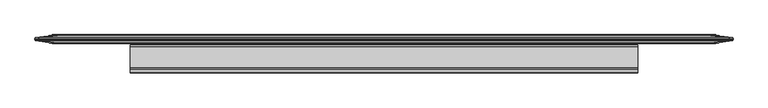
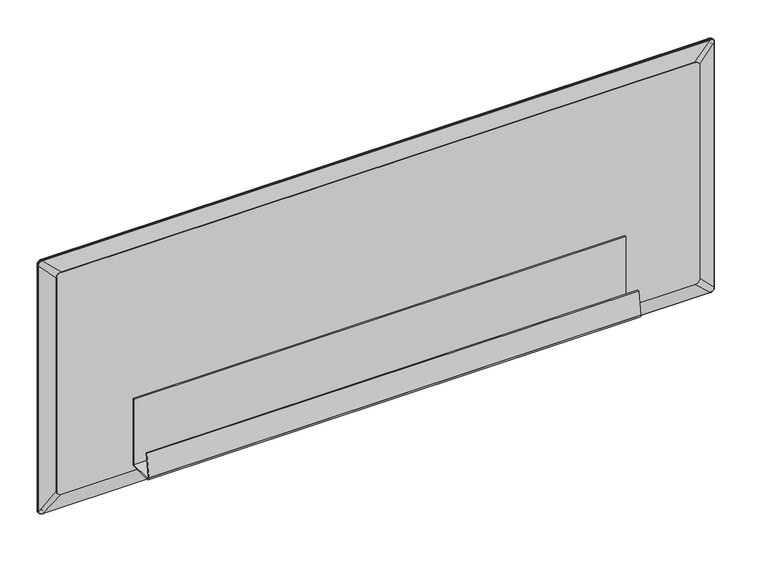
"""IFC4 building model written with IfcOpenShell, lengths in millimetres: furniture geometry."""

import ifcopenshell
import ifcopenshell.guid

model = None  # the IFC model being written
_history = None  # IfcOwnerHistory: only IFC2X3 demands one
_inside = {}  # id of a spatial element -> (the spatial element, [elements in it])
_under = {}  # id of a project, library or spatial element -> (it, [spatial elements below it])
_declared = {}  # id of a project -> (the project, [libraries it declares])
_typed = {}  # id of a type object -> (the type object, [elements of that type])
_made_of = {}  # id of a material, layer set ... -> (it, [elements and type objects made of it])


def new_model(schema):
    """Start an empty IFC model of exactly this schema.

    Asked for "IFC4X3", IfcOpenShell would pick the latest addendum, in which some entities
    have other attributes; the version numbers below select the first issue.
    IFC2X3 requires an IfcOwnerHistory on every rooted entity: one is made here for all.
    """
    global model, _history
    if schema == "IFC4X3":
        model = ifcopenshell.file(schema_version=(4, 3, 0, 0))
    else:
        model = ifcopenshell.file(schema=schema)
    _inside.clear()
    _under.clear()
    _declared.clear()
    _typed.clear()
    _made_of.clear()
    _history = None
    if model.schema == "IFC2X3":
        org = make("IfcOrganization", Name="unknown")
        user = make(
            "IfcPersonAndOrganization",
            ThePerson=make("IfcPerson", FamilyName="unknown"),
            TheOrganization=org,
        )
        app = make(
            "IfcApplication",
            ApplicationDeveloper=org,
            Version="unknown",
            ApplicationFullName="unknown",
            ApplicationIdentifier="unknown",
        )
        _history = make(
            "IfcOwnerHistory",
            OwningUser=user,
            OwningApplication=app,
            ChangeAction="ADDED",
            CreationDate=0,
        )
    return model


def make(cls, **values):
    """One entity of the class cls with the attributes given. An attribute that is None is left unset."""
    return model.create_entity(
        cls, **{name: value for name, value in values.items() if value is not None}
    )


def rooted(cls, **values):
    """An entity with a GlobalId (a new one), such as an element, a storey or a relation."""
    return make(cls, GlobalId=ifcopenshell.guid.new(), OwnerHistory=_history, **values)


def si_unit(unit_type, name, prefix=None):
    """IfcSIUnit, for example si_unit("LENGTHUNIT", "METRE", prefix="MILLI")."""
    return make("IfcSIUnit", UnitType=unit_type, Prefix=prefix, Name=name)


def assignment(units):
    """IfcUnitAssignment: the units of a project."""
    return None if units is None else make("IfcUnitAssignment", Units=units)


def point(xyz):
    """IfcCartesianPoint."""
    return None if xyz is None else make("IfcCartesianPoint", Coordinates=xyz)


def direction(xyz):
    """IfcDirection."""
    return None if xyz is None else make("IfcDirection", DirectionRatios=xyz)


def frame(location, z_axis=None, x_axis=None):
    """IfcAxis2Placement3D, a coordinate frame: its origin and axes. An axis left out is left unset."""
    return make(
        "IfcAxis2Placement3D",
        Location=point(location),
        Axis=direction(z_axis),
        RefDirection=direction(x_axis),
    )


def frame_2d(location, x_axis=None):
    """IfcAxis2Placement2D, a coordinate frame in the plane: its origin and x axis."""
    return make(
        "IfcAxis2Placement2D", Location=point(location), RefDirection=direction(x_axis)
    )


def origin():
    """The frame at (0, 0, 0) with its axes left unset."""
    return frame((0.0, 0.0, 0.0))


def place(relative_to, where):
    """IfcLocalPlacement: puts the frame where relative to a parent placement (None: the world)."""
    return make(
        "IfcLocalPlacement", PlacementRelTo=relative_to, RelativePlacement=where
    )


def context(
    kind, dimensions, precision=None, world=None, true_north=None, identifier=None
):
    """IfcGeometricRepresentationContext, for example the 3D "Model" context."""
    return make(
        "IfcGeometricRepresentationContext",
        ContextIdentifier=identifier,
        ContextType=kind,
        CoordinateSpaceDimension=dimensions,
        Precision=precision,
        WorldCoordinateSystem=world,
        TrueNorth=true_north,
    )


def project(units=None, contexts=None):
    """IfcProject with its units and contexts."""
    return rooted(
        "IfcProject",
        Name="project",
        RepresentationContexts=contexts,
        UnitsInContext=assignment(units),
    )


def spatial(cls, under=None, at=None, **own):
    """A site, building, storey or space (cls), placed at a placement, below another one or the project."""
    s = rooted(cls, ObjectPlacement=at, **own)
    if under is not None:
        _under.setdefault(under.id(), (under, []))[1].append(s)
    return s


def polyline(points):
    """IfcPolyline through the points."""
    return make("IfcPolyline", Points=[point(p) for p in points])


def circle_curve(where, radius):
    """IfcCircle in the frame where."""
    return make("IfcCircle", Position=where, Radius=radius)


def ellipse_curve(where, semi_axis1, semi_axis2):
    """IfcEllipse in the frame where."""
    return make(
        "IfcEllipse", Position=where, SemiAxis1=semi_axis1, SemiAxis2=semi_axis2
    )


def trimmed(basis, trim1, trim2, sense, master):
    """IfcTrimmedCurve: the piece of a basis curve between two trims."""
    return make(
        "IfcTrimmedCurve",
        BasisCurve=basis,
        Trim1=trim1,
        Trim2=trim2,
        SenseAgreement=sense,
        MasterRepresentation=master,
    )


def segment(curve, same_sense, transition):
    """IfcCompositeCurveSegment."""
    return make(
        "IfcCompositeCurveSegment",
        Transition=transition,
        SameSense=same_sense,
        ParentCurve=curve,
    )


def composite_curve(segments, self_intersect=None):
    """IfcCompositeCurve: segments joined end to end."""
    return make("IfcCompositeCurve", Segments=segments, SelfIntersect=self_intersect)


def outline(outer, holes=None, kind="AREA"):
    """IfcArbitraryClosedProfileDef: a profile drawn as a closed curve; with holes, ...WithVoids."""
    if holes is None:
        return make("IfcArbitraryClosedProfileDef", ProfileType=kind, OuterCurve=outer)
    return make(
        "IfcArbitraryProfileDefWithVoids",
        ProfileType=kind,
        OuterCurve=outer,
        InnerCurves=holes,
    )


def extrude(swept, where, along, depth):
    """IfcExtrudedAreaSolid: the profile swept, set in the frame where, extruded along a direction by depth."""
    return make(
        "IfcExtrudedAreaSolid",
        SweptArea=swept,
        Position=where,
        ExtrudedDirection=direction(along),
        Depth=depth,
    )


def shape(context_of_items, identifier, shape_type, items):
    """IfcShapeRepresentation: the items that make up one representation, for example the "Body"."""
    return make(
        "IfcShapeRepresentation",
        ContextOfItems=context_of_items,
        RepresentationIdentifier=identifier,
        RepresentationType=shape_type,
        Items=items,
    )


def source(mapping_origin, context_of_items, identifier, shape_type, items):
    """IfcRepresentationMap: a shape defined once, which mapped items show again and again."""
    return make(
        "IfcRepresentationMap",
        MappingOrigin=mapping_origin,
        MappedRepresentation=shape(context_of_items, identifier, shape_type, items),
    )


def transform(
    local_origin,
    x_axis=None,
    y_axis=None,
    z_axis=None,
    scale=None,
    scale2=None,
    scale3=None,
    uniform=True,
):
    """IfcCartesianTransformationOperator3D, or its non-uniform kind. x_axis, y_axis, z_axis: its Axis1, 2, 3."""
    if uniform:
        return make(
            "IfcCartesianTransformationOperator3D",
            Axis1=direction(x_axis),
            Axis2=direction(y_axis),
            LocalOrigin=point(local_origin),
            Scale=scale,
            Axis3=direction(z_axis),
        )
    return make(
        "IfcCartesianTransformationOperator3DnonUniform",
        Axis1=direction(x_axis),
        Axis2=direction(y_axis),
        LocalOrigin=point(local_origin),
        Scale=scale,
        Axis3=direction(z_axis),
        Scale2=scale2,
        Scale3=scale3,
    )


def mapped(mapping_source, mapping_target):
    """IfcMappedItem: shows the shape of a source again, moved by a transform."""
    return make(
        "IfcMappedItem", MappingSource=mapping_source, MappingTarget=mapping_target
    )


def made_of(thing, what):
    """Note that an element or type object is made of a material, layer set ...; save() writes the relation."""
    if what is not None:
        _made_of.setdefault(what.id(), (what, []))[1].append(thing)
    return thing


def element(
    cls,
    number,
    at=None,
    inside=None,
    cuts=None,
    type_object=None,
    material=None,
    context=None,
    identifier="Body",
    shape_type=None,
    held_by="IfcProductDefinitionShape",
    body=None,
    shapes=None,
    **own,
):
    """One element of the class cls, such as IfcWall. Its Tag is "e" and its number.

    at: its placement. inside: the storey or other place that contains it. cuts: it is an
    opening in that element (IfcRelVoidsElement). A single representation is given by context,
    identifier, shape_type and body (its items); several are given by shapes. held_by: the class
    of the entity that holds the representations. save() writes the other relations.
    """
    e = rooted(cls, Tag="e%d" % number, ObjectPlacement=at, **own)
    if body is not None:
        shapes = [shape(context, identifier, shape_type, body)]
    if shapes is not None:
        e.Representation = make(held_by, Representations=shapes)
    if inside is not None:
        _inside.setdefault(inside.id(), (inside, []))[1].append(e)
    if cuts is not None:
        rooted(
            "IfcRelVoidsElement", RelatingBuildingElement=cuts, RelatedOpeningElement=e
        )
    if type_object is not None:
        _typed.setdefault(type_object.id(), (type_object, []))[1].append(e)
    return made_of(e, material)


def aggregate(whole, parts):
    """IfcRelAggregates: a whole, such as a stair, and the parts it consists of."""
    return rooted("IfcRelAggregates", RelatingObject=whole, RelatedObjects=parts)


def save(model, path):
    """Write the relations noted so far, then the file.

    IfcRelAggregates (storeys below a building ...), IfcRelContainedInSpatialStructure (elements
    in a storey), IfcRelDefinesByType, IfcRelAssociatesMaterial and IfcRelDeclares: one each for
    every whole, place, type object, material and project.
    """
    for whole, parts in _under.values():
        aggregate(whole, parts)
    for where, things in _inside.values():
        rooted(
            "IfcRelContainedInSpatialStructure",
            RelatedElements=things,
            RelatingStructure=where,
        )
    for kind, things in _typed.values():
        rooted("IfcRelDefinesByType", RelatedObjects=things, RelatingType=kind)
    for what, things in _made_of.values():
        rooted("IfcRelAssociatesMaterial", RelatedObjects=things, RelatingMaterial=what)
    for by, libraries in _declared.values():
        rooted("IfcRelDeclares", RelatingContext=by, RelatedDefinitions=libraries)
    model.write(path)


def plane_surface(at):
    """IfcPlane: the flat surface through the origin of the frame at, square to its z axis."""
    return make("IfcPlane", Position=at)


def cylinder_surface(at, radius):
    """IfcCylindricalSurface: all points at the distance radius from the z axis of the frame at."""
    return make("IfcCylindricalSurface", Position=at, Radius=radius)


def revolved_surface(curve, axis_point, axis_direction):
    """IfcSurfaceOfRevolution: the curve turned about the line through axis_point along axis_direction."""
    return make(
        "IfcSurfaceOfRevolution",
        SweptCurve=make("IfcArbitraryOpenProfileDef", ProfileType="CURVE", Curve=curve),
        AxisPosition=make("IfcAxis1Placement", Location=point(axis_point), Axis=direction(axis_direction)),
    )


def spline_surface(u_degree, v_degree, points, u_multiplicities, v_multiplicities, u_knots, v_knots, weights=None):
    """IfcBSplineSurfaceWithKnots; with weights, IfcRationalBSplineSurfaceWithKnots. points: one row for each step in u."""
    own = dict(
        UDegree=u_degree,
        VDegree=v_degree,
        ControlPointsList=[[point(p) for p in row] for row in points],
        SurfaceForm="UNSPECIFIED",
        UClosed=False,
        VClosed=False,
        SelfIntersect=False,
        UMultiplicities=u_multiplicities,
        VMultiplicities=v_multiplicities,
        UKnots=u_knots,
        VKnots=v_knots,
        KnotSpec="UNSPECIFIED",
    )
    if weights is None:
        return make("IfcBSplineSurfaceWithKnots", **own)
    return make("IfcRationalBSplineSurfaceWithKnots", WeightsData=weights, **own)


def advanced_brep(points, edges, surfaces, faces):
    """IfcAdvancedBrep: a solid bounded by faces that lie on surfaces and meet in shared edges.

    An edge is (start, end): straight between two places in points (the first is 0);
    or (start, end, curve); or (start, end, curve, False) where it runs against its curve.
    A face is (place in surfaces, loops), or (place, loops, False) where it looks against
    its surface's normal. A loop lists edges by number (the first is 1), with a minus sign
    where the edge is run from its end to its start. The first loop is the outer one.
    """
    corners = [point(p) for p in points]
    vertices = [make("IfcVertexPoint", VertexGeometry=c) for c in corners]
    made = []
    for start, end, *more in edges:
        made.append(
            make(
                "IfcEdgeCurve",
                EdgeStart=vertices[start],
                EdgeEnd=vertices[end],
                EdgeGeometry=more[0] if more else make("IfcPolyline", Points=[corners[start], corners[end]]),
                SameSense=more[1] if len(more) > 1 else True,
            )
        )
    hull = []
    for where, loops, *sense in faces:
        bounds = []
        for j, loop in enumerate(loops):
            ring = [make("IfcOrientedEdge", EdgeElement=made[abs(k) - 1], Orientation=k > 0) for k in loop]
            bounds.append(
                make(
                    "IfcFaceOuterBound" if j == 0 else "IfcFaceBound",
                    Bound=make("IfcEdgeLoop", EdgeList=ring),
                    Orientation=True,
                )
            )
        hull.append(make("IfcAdvancedFace", Bounds=bounds, FaceSurface=surfaces[where], SameSense=sense[0] if sense else True))
    return make("IfcAdvancedBrep", Outer=make("IfcClosedShell", CfsFaces=hull))


def furniture_2b4007a4(model_context):
    return source(origin(), model_context, "Body", "SolidModel", [
        extrude(outline(composite_curve([segment(polyline([(-40.6393621, 532.1755443), (-33.1225172, 585.6606909), (-29.9784163, 585.218821), (-37.4912878, 531.7619473)]), True, "CONTINUOUS"), segment(trimmed(circle_curve(frame_2d((-34.3225949, 531.3166167)), 3.1998334), [point((-37.4912878, 531.7619473))], [point((-34.3225949, 528.1167832))], True, "CARTESIAN"), True, "CONTINUOUS"), segment(polyline([(-34.3225949, 528.1167832), (17.6530002, 528.1167832), (17.6530002, 683.7933638), (20.8280006, 683.7933638), (20.8280006, 524.9417953), (-34.3511598, 524.9417953)]), True, "CONTINUOUS"), segment(trimmed(circle_curve(frame_2d((-34.3511598, 531.2917953)), 6.35), [point((-34.3511598, 524.9417953))], [point((-40.6393621, 532.1755443))], False, "CARTESIAN"), True, "CONTINUOUS")], self_intersect=False)), frame((209.2706021, 0.0, 0.0), z_axis=(1.0, 0.0, 0.0), x_axis=(0.0, 1.0, 0.0)), (0.0, 0.0, 1.0), 1105.458814),
        advanced_brep(
        [(11.253126, 36.4451478, 1074.1297113), (2.8299039, 36.4451478, 1065.7064892), (2.8299039, 36.4451478, 481.964813), (11.253126, 36.4451478, 473.5415909), (1512.746874, 36.4451478, 473.5415909), (1521.1700961, 36.4451478, 481.964813), (1521.1700961, 36.4451478, 1065.7064892), (1512.746874, 36.4451478, 1074.1297113), (50.1139937, 41.7291244, 1037.7676151), (1473.8860063, 41.7291244, 1037.7676151), (1484.8080063, 41.7291244, 1026.8456151), (1484.8080063, 41.7291244, 520.8256871), (1473.8860063, 41.7291244, 509.9036871), (50.1139937, 41.7291244, 509.9036871), (39.1919937, 41.7291244, 520.8256871), (39.1919937, 41.7291244, 1026.8456151)],
        [
            (0, 1, circle_curve(frame((11.253126, 36.4451478, 1065.7064892), z_axis=(0.0, -1.0, 0.0), x_axis=(1.0, 0.0, 0.0)), 8.4232221)),
            (1, 2),
            (2, 3, circle_curve(frame((11.253126, 36.4451478, 481.964813), z_axis=(0.0, -1.0, 0.0), x_axis=(1.0, 0.0, 0.0)), 8.4232221)),
            (3, 4),
            (4, 5, circle_curve(frame((1512.746874, 36.4451478, 481.964813), z_axis=(0.0, -1.0, 0.0), x_axis=(1.0, 0.0, 0.0)), 8.4232221)),
            (5, 6),
            (6, 7, circle_curve(frame((1512.746874, 36.4451478, 1065.7064892), z_axis=(0.0, -1.0, 0.0), x_axis=(1.0, 0.0, 0.0)), 8.4232221)),
            (7, 0),
            (8, 9),
            (9, 10, circle_curve(frame((1473.8860063, 41.7291244, 1026.8456151), z_axis=(0.0, 1.0, 0.0), x_axis=(1.0, 0.0, 0.0)), 10.922)),
            (10, 11),
            (11, 12, circle_curve(frame((1473.8860063, 41.7291244, 520.8256871), z_axis=(0.0, 1.0, 0.0), x_axis=(1.0, 0.0, 0.0)), 10.922)),
            (12, 13),
            (13, 14, circle_curve(frame((50.1139937, 41.7291244, 520.8256871), z_axis=(0.0, 1.0, 0.0), x_axis=(1.0, 0.0, 0.0)), 10.922)),
            (14, 15),
            (15, 8, circle_curve(frame((50.1139937, 41.7291244, 1026.8456151), z_axis=(0.0, 1.0, 0.0), x_axis=(1.0, 0.0, 0.0)), 10.922)),
            (15, 1),
            (0, 8),
            (14, 2),
            (13, 3),
            (12, 4),
            (11, 5),
            (10, 6),
            (9, 7),
        ],
        [
            plane_surface(frame((762.0, 36.4451478, 773.8356511), z_axis=(0.0, -1.0, 0.0), x_axis=(1.0, 0.0, 0.0))),
            plane_surface(frame((762.0, 41.7291244, 773.8356511), z_axis=(0.0, 1.0, 0.0), x_axis=(1.0, 0.0, 0.0))),
            spline_surface(2, 1, [[(50.1139937, 41.7291244, 1037.7676151), (11.253126, 36.4451478, 1074.1297113)], [(39.191993699999976, 41.7291244, 1037.7676151), (2.8299039000000246, 36.4451478, 1074.1297113)], [(39.1919937, 41.7291244, 1026.8456151), (2.8299039, 36.4451478, 1065.7064892)]], [3, 3], [2, 2], [0.0, 1.0], [0.0, 1.0], weights=[[1.0, 1.0], [0.7071067811865468, 0.7071067811865468], [1.0, 1.0]]),
            plane_surface(frame((39.1919937, 41.7291244, 773.8356511), z_axis=(-0.14380513073490753, 0.9896060248272118, 0.0), x_axis=(0.0, 0.0, -1.0))),
            spline_surface(2, 1, [[(39.1919937, 41.7291244, 520.8256871), (2.8299039, 36.4451478, 481.964813)], [(39.19199369999996, 41.7291244, 509.90368709999996), (2.8299038999999713, 36.4451478, 473.5415909)], [(50.1139937, 41.7291244, 509.9036871), (11.253126, 36.4451478, 473.5415909)]], [3, 3], [2, 2], [0.0, 1.0], [0.0, 1.0], weights=[[1.0, 1.0], [0.7071067811865464, 0.7071067811865464], [1.0, 1.0]]),
            plane_surface(frame((762.0, 41.7291244, 509.9036871), z_axis=(0.0, 0.9896060284218857, -0.14380510599788204), x_axis=(1.0, 0.0, 0.0))),
            spline_surface(2, 1, [[(1473.8860063, 41.7291244, 509.9036871), (1512.746874, 36.4451478, 473.5415909)], [(1484.8080063, 41.7291244, 509.90368710000007), (1521.1700961, 36.4451478, 473.5415909000001)], [(1484.8080063, 41.7291244, 520.8256871), (1521.1700961, 36.4451478, 481.964813)]], [3, 3], [2, 2], [0.0, 1.0], [0.0, 1.0], weights=[[1.0, 1.0], [0.7071067811865495, 0.7071067811865495], [1.0, 1.0]]),
            plane_surface(frame((1484.8080063, 41.7291244, 773.8356511), z_axis=(0.14380513073496096, 0.9896060248272041, 0.0), x_axis=(0.0, 0.0, 1.0))),
            spline_surface(2, 1, [[(1484.8080063, 41.7291244, 1026.8456151), (1521.1700961, 36.4451478, 1065.7064892)], [(1484.8080063, 41.7291244, 1037.7676151), (1521.1700961, 36.4451478, 1074.1297113)], [(1473.8860063, 41.7291244, 1037.7676151), (1512.746874, 36.4451478, 1074.1297113)]], [3, 3], [2, 2], [0.0, 1.0], [0.0, 1.0], weights=[[1.0, 1.0], [0.7071067811865476, 0.7071067811865476], [1.0, 1.0]]),
            plane_surface(frame((762.0, 41.7291244, 1037.7676151), z_axis=(0.0, 0.9896060284218777, 0.14380510599793633), x_axis=(-1.0, 0.0, 0.0))),
        ],
        [
            (0, [[1, 2, 3, 4, 5, 6, 7, 8]]),
            (1, [[9, 10, 11, 12, 13, 14, 15, 16]]),
            (2, [[-16, 17, -1, 18]]),
            (3, [[-15, 19, -2, -17]]),
            (4, [[-14, 20, -3, -19]]),
            (5, [[-13, 21, -4, -20]]),
            (6, [[-12, 22, -5, -21]]),
            (7, [[-11, 23, -6, -22]]),
            (8, [[-10, 24, -7, -23]]),
            (9, [[-9, -18, -8, -24]]),
        ],
    ),
        advanced_brep(
        [(11.253126, 30.6517607, 1074.1297113), (1512.746874, 30.6517607, 1074.1297113), (1521.1700961, 30.6517607, 1065.7064892), (1521.1700961, 30.6517607, 481.964813), (1512.746874, 30.6517607, 473.5415909), (11.253126, 30.6517607, 473.5415909), (2.8299039, 30.6517607, 481.964813), (2.8299039, 30.6517607, 1065.7064892), (50.1139937, 25.3677841, 1037.7676151), (39.1919937, 25.3677841, 1026.8456151), (39.1919937, 25.3677841, 520.8256871), (50.1139937, 25.3677841, 509.9036871), (1473.8860063, 25.3677841, 509.9036871), (1484.8080063, 25.3677841, 520.8256871), (1484.8080063, 25.3677841, 1026.8456151), (1473.8860063, 25.3677841, 1037.7676151)],
        [
            (0, 1),
            (1, 2, circle_curve(frame((1512.746874, 30.6517607, 1065.7064892), z_axis=(0.0, 1.0, 0.0), x_axis=(1.0, 0.0, 0.0)), 8.4232221)),
            (2, 3),
            (3, 4, circle_curve(frame((1512.746874, 30.6517607, 481.964813), z_axis=(0.0, 1.0, 0.0), x_axis=(1.0, 0.0, 0.0)), 8.4232221)),
            (4, 5),
            (5, 6, circle_curve(frame((11.253126, 30.6517607, 481.964813), z_axis=(0.0, 1.0, 0.0), x_axis=(1.0, 0.0, 0.0)), 8.4232221)),
            (6, 7),
            (7, 0, circle_curve(frame((11.253126, 30.6517607, 1065.7064892), z_axis=(0.0, 1.0, 0.0), x_axis=(1.0, 0.0, 0.0)), 8.4232221)),
            (8, 9, circle_curve(frame((50.1139937, 25.3677841, 1026.8456151), z_axis=(0.0, -1.0, 0.0), x_axis=(1.0, 0.0, 0.0)), 10.922)),
            (9, 10),
            (10, 11, circle_curve(frame((50.1139937, 25.3677841, 520.8256871), z_axis=(0.0, -1.0, 0.0), x_axis=(1.0, 0.0, 0.0)), 10.922)),
            (11, 12),
            (12, 13, circle_curve(frame((1473.8860063, 25.3677841, 520.8256871), z_axis=(0.0, -1.0, 0.0), x_axis=(1.0, 0.0, 0.0)), 10.922)),
            (13, 14),
            (14, 15, circle_curve(frame((1473.8860063, 25.3677841, 1026.8456151), z_axis=(0.0, -1.0, 0.0), x_axis=(1.0, 0.0, 0.0)), 10.922)),
            (15, 8),
            (8, 0),
            (7, 9),
            (6, 10),
            (5, 11),
            (4, 12),
            (3, 13),
            (2, 14),
            (1, 15),
        ],
        [
            plane_surface(frame((762.0, 30.6517607, 773.8356511), z_axis=(0.0, 1.0, 0.0), x_axis=(-1.0, 0.0, 0.0))),
            plane_surface(frame((762.0, 25.3677841, 773.8356511), z_axis=(0.0, -1.0, 0.0), x_axis=(-1.0, 0.0, 0.0))),
            spline_surface(2, 1, [[(39.1919937, 25.3677841, 1026.8456151), (2.8299039, 30.6517607, 1065.7064892)], [(39.19199370000002, 25.3677841, 1037.7676151), (2.8299039000000157, 30.6517607, 1074.1297113)], [(50.1139937, 25.3677841, 1037.7676151), (11.253126, 30.6517607, 1074.1297113)]], [3, 3], [2, 2], [0.0, 1.0], [0.0, 1.0], weights=[[1.0, 1.0], [0.7071067811865482, 0.7071067811865482], [1.0, 1.0]]),
            plane_surface(frame((39.1919937, 25.3677841, 773.8356511), z_axis=(-0.14380513073490744, -0.9896060248272118, 0.0), x_axis=(0.0, 0.0, 1.0))),
            spline_surface(2, 1, [[(50.1139937, 25.3677841, 509.9036871), (11.253126, 30.6517607, 473.5415909)], [(39.19199370000003, 25.3677841, 509.90368710000007), (2.8299039000000246, 30.6517607, 473.5415909000001)], [(39.1919937, 25.3677841, 520.8256871), (2.8299039, 30.6517607, 481.964813)]], [3, 3], [2, 2], [0.0, 1.0], [0.0, 1.0], weights=[[1.0, 1.0], [0.7071067811865487, 0.7071067811865487], [1.0, 1.0]]),
            plane_surface(frame((762.0, 25.3677841, 509.9036871), z_axis=(0.0, -0.9896060284218857, -0.14380510599788207), x_axis=(-1.0, 0.0, 0.0))),
            spline_surface(2, 1, [[(1484.8080063, 25.3677841, 520.8256871), (1521.1700961, 30.6517607, 481.964813)], [(1484.8080063, 25.3677841, 509.90368709999996), (1521.1700961, 30.6517607, 473.5415909)], [(1473.8860063, 25.3677841, 509.9036871), (1512.746874, 30.6517607, 473.5415909)]], [3, 3], [2, 2], [0.0, 1.0], [0.0, 1.0], weights=[[1.0, 1.0], [0.7071067811865457, 0.7071067811865457], [1.0, 1.0]]),
            plane_surface(frame((1484.8080063, 25.3677841, 773.8356511), z_axis=(0.14380513073490145, -0.9896060248272127, 0.0), x_axis=(0.0, 0.0, -1.0))),
            spline_surface(2, 1, [[(1473.8860063, 25.3677841, 1037.7676151), (1512.746874, 30.6517607, 1074.1297113)], [(1484.8080063, 25.3677841, 1037.7676151), (1521.1700961, 30.6517607, 1074.1297113)], [(1484.8080063, 25.3677841, 1026.8456151), (1521.1700961, 30.6517607, 1065.7064892)]], [3, 3], [2, 2], [0.0, 1.0], [0.0, 1.0], weights=[[1.0, 1.0], [0.7071067811865476, 0.7071067811865476], [1.0, 1.0]]),
            plane_surface(frame((762.0, 25.3677841, 1037.7676151), z_axis=(0.0, -0.9896060284218882, 0.14380510599786475), x_axis=(1.0, 0.0, 0.0))),
        ],
        [
            (0, [[1, 2, 3, 4, 5, 6, 7, 8]]),
            (1, [[9, 10, 11, 12, 13, 14, 15, 16]]),
            (2, [[-9, 17, -8, 18]]),
            (3, [[-10, -18, -7, 19]]),
            (4, [[-11, -19, -6, 20]]),
            (5, [[-12, -20, -5, 21]]),
            (6, [[-13, -21, -4, 22]]),
            (7, [[-14, -22, -3, 23]]),
            (8, [[-15, -23, -2, 24]]),
            (9, [[-16, -24, -1, -17]]),
        ],
    ),
        extrude(outline(composite_curve([segment(trimmed(circle_curve(frame_2d((520.8256871, 50.1139937)), 10.922), [point((520.8256871, 39.1919937))], [point((509.9036871, 50.1139937))], False, "CARTESIAN"), True, "CONTINUOUS"), segment(polyline([(509.9036871, 50.1139937), (509.9036871, 1473.8860063)]), True, "CONTINUOUS"), segment(trimmed(circle_curve(frame_2d((520.8256871, 1473.8860063)), 10.922), [point((509.9036871, 1473.8860063))], [point((520.8256871, 1484.8080063))], False, "CARTESIAN"), True, "CONTINUOUS"), segment(polyline([(520.8256871, 1484.8080063), (1026.8456151, 1484.8080063)]), True, "CONTINUOUS"), segment(trimmed(circle_curve(frame_2d((1026.8456151, 1473.8860063)), 10.922), [point((1026.8456151, 1484.8080063))], [point((1037.7676151, 1473.8860063))], False, "CARTESIAN"), True, "CONTINUOUS"), segment(polyline([(1037.7676151, 1473.8860063), (1037.7676151, 50.1139937)]), True, "CONTINUOUS"), segment(trimmed(circle_curve(frame_2d((1026.8456151, 50.1139937)), 10.922), [point((1037.7676151, 50.1139937))], [point((1026.8456151, 39.1919937))], False, "CARTESIAN"), True, "CONTINUOUS"), segment(polyline([(1026.8456151, 39.1919937), (520.8256871, 39.1919937)]), True, "CONTINUOUS")], self_intersect=False)), frame((0.0, 24.0041421, 0.0), z_axis=(0.0, 1.0, 0.0), x_axis=(0.0, 0.0, 1.0)), (0.0, 0.0, 1.0), 19.0498388),
        advanced_brep(
        [(1512.746874, 34.6525961, 1075.282786), (1512.746874, 36.4451478, 1073.3265591), (11.253126, 36.4451478, 1073.3265591), (11.253126, 34.6525961, 1075.282786), (1512.746874, 33.7873045, 1075.3584892), (11.253126, 33.7873045, 1075.3584892), (1512.746874, 33.5484543, 1074.1297113), (11.253126, 33.5484543, 1074.1297113), (1512.746874, 33.309604, 1075.3584892), (11.253126, 33.309604, 1075.3584892), (1512.746874, 32.4443124, 1075.282786), (11.253126, 32.4443124, 1075.282786), (1512.746874, 30.6517607, 1073.3265591), (11.253126, 30.6517607, 1073.3265591), (1512.746874, 36.4451478, 1065.8817421), (1512.746874, 30.6517607, 1065.8817421), (11.253126, 30.6517607, 1065.8817421), (11.253126, 36.4451478, 1065.8817421), (1.6768292, 34.6525961, 1065.7064892), (3.6330561, 36.4451478, 1065.7064892), (3.6330561, 36.4451478, 481.964813), (1.6768292, 34.6525961, 481.964813), (1.601126, 33.7873045, 1065.7064892), (1.601126, 33.7873045, 481.964813), (2.8299039, 33.5484543, 1065.7064892), (2.8299039, 33.5484543, 481.964813), (1.601126, 33.309604, 1065.7064892), (1.601126, 33.309604, 481.964813), (1.6768292, 32.4443124, 1065.7064892), (1.6768292, 32.4443124, 481.964813), (3.6330561, 30.6517607, 1065.7064892), (3.6330561, 30.6517607, 481.964813), (11.0778731, 36.4451478, 1065.7064892), (11.0778731, 30.6517607, 1065.7064892), (11.0778731, 30.6517607, 481.964813), (11.0778731, 36.4451478, 481.964813), (11.253126, 34.6525961, 472.3885162), (11.253126, 36.4451478, 474.3447431), (1512.746874, 36.4451478, 474.3447431), (1512.746874, 34.6525961, 472.3885162), (11.253126, 33.7873045, 472.312813), (1512.746874, 33.7873045, 472.312813), (11.253126, 33.5484543, 473.5415909), (1512.746874, 33.5484543, 473.5415909), (11.253126, 33.309604, 472.312813), (1512.746874, 33.309604, 472.312813), (11.253126, 32.4443124, 472.3885162), (1512.746874, 32.4443124, 472.3885162), (11.253126, 30.6517607, 474.3447431), (1512.746874, 30.6517607, 474.3447431), (11.253126, 36.4451478, 481.7895601), (11.253126, 30.6517607, 481.7895601), (1512.746874, 30.6517607, 481.7895601), (1512.746874, 36.4451478, 481.7895601), (1522.3231708, 34.6525961, 481.964813), (1520.3669439, 36.4451478, 481.964813), (1522.398874, 33.7873045, 481.964813), (1521.1700961, 33.5484543, 481.964813), (1522.398874, 33.309604, 481.964813), (1522.3231708, 32.4443124, 481.964813), (1520.3669439, 30.6517607, 481.964813), (1512.9221269, 36.4451478, 481.964813), (1512.9221269, 30.6517607, 481.964813), (1520.3669439, 36.4451478, 1065.7064892), (1522.3231708, 34.6525961, 1065.7064892), (1522.398874, 33.7873045, 1065.7064892), (1521.1700961, 33.5484543, 1065.7064892), (1522.398874, 33.309604, 1065.7064892), (1522.3231708, 32.4443124, 1065.7064892), (1520.3669439, 30.6517607, 1065.7064892), (1512.9221269, 30.6517607, 1065.7064892), (1512.9221269, 36.4451478, 1065.7064892)],
        [
            (0, 1, circle_curve(frame((1512.746874, 34.4814484, 1073.3265591), z_axis=(-1.0, 0.0, 0.0), x_axis=(0.0, 0.0, -1.0)), 1.9636994)),
            (1, 2),
            (2, 3, circle_curve(frame((11.253126, 34.4814484, 1073.3265591), z_axis=(1.0, 0.0, 0.0), x_axis=(0.0, 0.0, -1.0)), 1.9636994)),
            (3, 0),
            (4, 0),
            (3, 5),
            (5, 4),
            (6, 4),
            (5, 7),
            (7, 6),
            (8, 6),
            (7, 9),
            (9, 8),
            (10, 8),
            (9, 11),
            (11, 10),
            (12, 10, circle_curve(frame((1512.746874, 32.6154601, 1073.3265591), z_axis=(-1.0, 0.0, 0.0), x_axis=(0.0, 0.0, -1.0)), 1.9636994)),
            (11, 13, circle_curve(frame((11.253126, 32.6154601, 1073.3265591), z_axis=(1.0, 0.0, 0.0), x_axis=(0.0, 0.0, -1.0)), 1.9636994)),
            (13, 12),
            (14, 15),
            (15, 16),
            (16, 17),
            (17, 14),
            (18, 19, circle_curve(frame((3.6330561, 34.4814484, 1065.7064892), z_axis=(0.0, 0.0, -1.0), x_axis=(1.0, 0.0, 0.0)), 1.9636994)),
            (19, 20),
            (20, 21, circle_curve(frame((3.6330561, 34.4814484, 481.964813), z_axis=(0.0, 0.0, 1.0), x_axis=(1.0, 0.0, 0.0)), 1.9636994)),
            (21, 18),
            (22, 18),
            (21, 23),
            (23, 22),
            (24, 22),
            (23, 25),
            (25, 24),
            (26, 24),
            (25, 27),
            (27, 26),
            (28, 26),
            (27, 29),
            (29, 28),
            (30, 28, circle_curve(frame((3.6330561, 32.6154601, 1065.7064892), z_axis=(0.0, 0.0, -1.0), x_axis=(1.0, 0.0, 0.0)), 1.9636994)),
            (29, 31, circle_curve(frame((3.6330561, 32.6154601, 481.964813), z_axis=(0.0, 0.0, 1.0), x_axis=(1.0, 0.0, 0.0)), 1.9636994)),
            (31, 30),
            (32, 33),
            (33, 34),
            (34, 35),
            (35, 32),
            (36, 37, circle_curve(frame((11.253126, 34.4814484, 474.3447431), z_axis=(1.0, 0.0, 0.0), x_axis=(0.0, 0.0, 1.0)), 1.9636994)),
            (37, 38),
            (38, 39, circle_curve(frame((1512.746874, 34.4814484, 474.3447431), z_axis=(-1.0, 0.0, 0.0), x_axis=(0.0, 0.0, 1.0)), 1.9636994)),
            (39, 36),
            (40, 36),
            (39, 41),
            (41, 40),
            (42, 40),
            (41, 43),
            (43, 42),
            (44, 42),
            (43, 45),
            (45, 44),
            (46, 44),
            (45, 47),
            (47, 46),
            (48, 46, circle_curve(frame((11.253126, 32.6154601, 474.3447431), z_axis=(1.0, 0.0, 0.0), x_axis=(0.0, 0.0, 1.0)), 1.9636994)),
            (47, 49, circle_curve(frame((1512.746874, 32.6154601, 474.3447431), z_axis=(-1.0, 0.0, 0.0), x_axis=(0.0, 0.0, 1.0)), 1.9636994)),
            (49, 48),
            (50, 51),
            (51, 52),
            (52, 53),
            (53, 50),
            (18, 3, circle_curve(frame((11.253126, 34.6525961, 1065.7064892), z_axis=(0.0, 1.0, 0.0), x_axis=(0.0, 0.0, 1.0)), 9.5762968)),
            (2, 19, circle_curve(frame((11.253126, 36.4451478, 1065.7064892), z_axis=(0.0, -1.0, 0.0), x_axis=(0.0, 0.0, 1.0)), 7.6200699)),
            (22, 5, circle_curve(frame((11.253126, 33.7873045, 1065.7064892), z_axis=(0.0, 1.0, 0.0), x_axis=(0.0, 0.0, 1.0)), 9.652)),
            (24, 7, circle_curve(frame((11.253126, 33.5484543, 1065.7064892), z_axis=(0.0, 1.0, 0.0), x_axis=(0.0, 0.0, 1.0)), 8.4232221)),
            (26, 9, circle_curve(frame((11.253126, 33.309604, 1065.7064892), z_axis=(0.0, 1.0, 0.0), x_axis=(0.0, 0.0, 1.0)), 9.652)),
            (28, 11, circle_curve(frame((11.253126, 32.4443124, 1065.7064892), z_axis=(0.0, 1.0, 0.0), x_axis=(0.0, 0.0, 1.0)), 9.5762968)),
            (30, 13, circle_curve(frame((11.253126, 30.6517607, 1065.7064892), z_axis=(0.0, 1.0, 0.0), x_axis=(0.0, 0.0, 1.0)), 7.6200699)),
            (32, 17, circle_curve(frame((11.253126, 36.4451478, 1065.7064892), z_axis=(0.0, 1.0, 0.0), x_axis=(0.0, 0.0, 1.0)), 0.1752529)),
            (16, 33, circle_curve(frame((11.253126, 30.6517607, 1065.7064892), z_axis=(0.0, -1.0, 0.0), x_axis=(0.0, 0.0, 1.0)), 0.1752529)),
            (54, 39, circle_curve(frame((1512.746874, 34.6525961, 481.964813), z_axis=(0.0, 1.0, 0.0), x_axis=(0.0, 0.0, -1.0)), 9.5762968)),
            (38, 55, circle_curve(frame((1512.746874, 36.4451478, 481.964813), z_axis=(0.0, -1.0, 0.0), x_axis=(0.0, 0.0, -1.0)), 7.6200699)),
            (55, 54, circle_curve(frame((1520.3669439, 34.4814484, 481.964813), z_axis=(0.0, 0.0, -1.0), x_axis=(-1.0, 0.0, 0.0)), 1.9636994)),
            (56, 41, circle_curve(frame((1512.746874, 33.7873045, 481.964813), z_axis=(0.0, 1.0, 0.0), x_axis=(0.0, 0.0, -1.0)), 9.652)),
            (54, 56),
            (57, 43, circle_curve(frame((1512.746874, 33.5484543, 481.964813), z_axis=(0.0, 1.0, 0.0), x_axis=(0.0, 0.0, -1.0)), 8.4232221)),
            (56, 57),
            (58, 45, circle_curve(frame((1512.746874, 33.309604, 481.964813), z_axis=(0.0, 1.0, 0.0), x_axis=(0.0, 0.0, -1.0)), 9.652)),
            (57, 58),
            (59, 47, circle_curve(frame((1512.746874, 32.4443124, 481.964813), z_axis=(0.0, 1.0, 0.0), x_axis=(0.0, 0.0, -1.0)), 9.5762968)),
            (58, 59),
            (60, 49, circle_curve(frame((1512.746874, 30.6517607, 481.964813), z_axis=(0.0, 1.0, 0.0), x_axis=(0.0, 0.0, -1.0)), 7.6200699)),
            (59, 60, circle_curve(frame((1520.3669439, 32.6154601, 481.964813), z_axis=(0.0, 0.0, -1.0), x_axis=(-1.0, 0.0, 0.0)), 1.9636994)),
            (61, 53, circle_curve(frame((1512.746874, 36.4451478, 481.964813), z_axis=(0.0, 1.0, 0.0), x_axis=(0.0, 0.0, -1.0)), 0.1752529)),
            (52, 62, circle_curve(frame((1512.746874, 30.6517607, 481.964813), z_axis=(0.0, -1.0, 0.0), x_axis=(0.0, 0.0, -1.0)), 0.1752529)),
            (62, 61),
            (55, 63),
            (63, 64, circle_curve(frame((1520.3669439, 34.4814484, 1065.7064892), z_axis=(0.0, 0.0, -1.0), x_axis=(-1.0, 0.0, 0.0)), 1.9636994)),
            (64, 54),
            (64, 65),
            (65, 56),
            (65, 66),
            (66, 57),
            (66, 67),
            (67, 58),
            (67, 68),
            (68, 59),
            (68, 69, circle_curve(frame((1520.3669439, 32.6154601, 1065.7064892), z_axis=(0.0, 0.0, -1.0), x_axis=(-1.0, 0.0, 0.0)), 1.9636994)),
            (69, 60),
            (62, 70),
            (70, 71),
            (71, 61),
            (0, 64, circle_curve(frame((1512.746874, 34.6525961, 1065.7064892), z_axis=(0.0, 1.0, 0.0), x_axis=(1.0, 0.0, 0.0)), 9.5762968)),
            (63, 1, circle_curve(frame((1512.746874, 36.4451478, 1065.7064892), z_axis=(0.0, -1.0, 0.0), x_axis=(1.0, 0.0, 0.0)), 7.6200699)),
            (4, 65, circle_curve(frame((1512.746874, 33.7873045, 1065.7064892), z_axis=(0.0, 1.0, 0.0), x_axis=(1.0, 0.0, 0.0)), 9.652)),
            (6, 66, circle_curve(frame((1512.746874, 33.5484543, 1065.7064892), z_axis=(0.0, 1.0, 0.0), x_axis=(1.0, 0.0, 0.0)), 8.4232221)),
            (8, 67, circle_curve(frame((1512.746874, 33.309604, 1065.7064892), z_axis=(0.0, 1.0, 0.0), x_axis=(1.0, 0.0, 0.0)), 9.652)),
            (10, 68, circle_curve(frame((1512.746874, 32.4443124, 1065.7064892), z_axis=(0.0, 1.0, 0.0), x_axis=(1.0, 0.0, 0.0)), 9.5762968)),
            (12, 69, circle_curve(frame((1512.746874, 30.6517607, 1065.7064892), z_axis=(0.0, 1.0, 0.0), x_axis=(1.0, 0.0, 0.0)), 7.6200699)),
            (14, 71, circle_curve(frame((1512.746874, 36.4451478, 1065.7064892), z_axis=(0.0, 1.0, 0.0), x_axis=(1.0, 0.0, 0.0)), 0.1752529)),
            (70, 15, circle_curve(frame((1512.746874, 30.6517607, 1065.7064892), z_axis=(0.0, -1.0, 0.0), x_axis=(1.0, 0.0, 0.0)), 0.1752529)),
            (36, 21, circle_curve(frame((11.253126, 34.6525961, 481.964813), z_axis=(0.0, 1.0, 0.0), x_axis=(-1.0, 0.0, 0.0)), 9.5762968)),
            (20, 37, circle_curve(frame((11.253126, 36.4451478, 481.964813), z_axis=(0.0, -1.0, 0.0), x_axis=(-1.0, 0.0, 0.0)), 7.6200699)),
            (40, 23, circle_curve(frame((11.253126, 33.7873045, 481.964813), z_axis=(0.0, 1.0, 0.0), x_axis=(-1.0, 0.0, 0.0)), 9.652)),
            (42, 25, circle_curve(frame((11.253126, 33.5484543, 481.964813), z_axis=(0.0, 1.0, 0.0), x_axis=(-1.0, 0.0, 0.0)), 8.4232221)),
            (44, 27, circle_curve(frame((11.253126, 33.309604, 481.964813), z_axis=(0.0, 1.0, 0.0), x_axis=(-1.0, 0.0, 0.0)), 9.652)),
            (46, 29, circle_curve(frame((11.253126, 32.4443124, 481.964813), z_axis=(0.0, 1.0, 0.0), x_axis=(-1.0, 0.0, 0.0)), 9.5762968)),
            (48, 31, circle_curve(frame((11.253126, 30.6517607, 481.964813), z_axis=(0.0, 1.0, 0.0), x_axis=(-1.0, 0.0, 0.0)), 7.6200699)),
            (51, 34, circle_curve(frame((11.253126, 30.6517607, 481.964813), z_axis=(0.0, 1.0, 0.0), x_axis=(-1.0, 0.0, 0.0)), 0.1752529)),
            (50, 35, circle_curve(frame((11.253126, 36.4451478, 481.964813), z_axis=(0.0, 1.0, 0.0), x_axis=(-1.0, 0.0, 0.0)), 0.1752529)),
        ],
        [
            cylinder_surface(frame((1512.746874, 34.4814484, 1073.3265591), z_axis=(1.0, 0.0, 0.0), x_axis=(0.0, 0.0, -1.0)), 1.9636994),
            plane_surface(frame((1512.746874, 34.6525961, 1075.282786), z_axis=(0.0, 0.08715574274777638, 0.9961946980917352), x_axis=(-1.0, 0.0, 0.0))),
            plane_surface(frame((1512.746874, 33.7873045, 1075.3584892), z_axis=(0.0, -0.9816271834476646, 0.19080899537654117), x_axis=(-1.0, 0.0, 0.0))),
            plane_surface(frame((1512.746874, 33.5484543, 1074.1297113), z_axis=(0.0, 0.98162718344818, 0.19080899537389073), x_axis=(-1.0, 0.0, 0.0))),
            plane_surface(frame((1512.746874, 33.309604, 1075.3584892), z_axis=(0.0, -0.08715574274762299, 0.9961946980917487), x_axis=(-1.0, 0.0, 0.0))),
            cylinder_surface(frame((1512.746874, 32.6154601, 1073.3265591), z_axis=(1.0, 0.0, 0.0), x_axis=(0.0, 0.0, -1.0)), 1.9636994),
            plane_surface(frame((1512.746874, 30.6517607, 1065.8817421), z_axis=(0.0, 0.0, -1.0), x_axis=(-1.0, 0.0, 0.0))),
            cylinder_surface(frame((3.6330561, 34.4814484, 1065.7064892), z_axis=(0.0, 0.0, 1.0), x_axis=(1.0, 0.0, 0.0)), 1.9636994),
            plane_surface(frame((1.6768292, 34.6525961, 1065.7064892), z_axis=(-0.9961946980917349, 0.0871557427477796, 0.0), x_axis=(0.0, 0.0, -1.0))),
            plane_surface(frame((1.601126, 33.7873045, 1065.7064892), z_axis=(-0.19080899537654436, -0.9816271834476641, 0.0), x_axis=(0.0, 0.0, -1.0))),
            plane_surface(frame((2.8299039, 33.5484543, 1065.7064892), z_axis=(-0.19080899537388754, 0.9816271834481806, 0.0), x_axis=(0.0, 0.0, -1.0))),
            plane_surface(frame((1.601126, 33.309604, 1065.7064892), z_axis=(-0.996194698091749, -0.08715574274761977, 0.0), x_axis=(0.0, 0.0, -1.0))),
            cylinder_surface(frame((3.6330561, 32.6154601, 1065.7064892), z_axis=(0.0, 0.0, 1.0), x_axis=(1.0, 0.0, 0.0)), 1.9636994),
            plane_surface(frame((11.0778731, 30.6517607, 1065.7064892), z_axis=(1.0, 0.0, 0.0), x_axis=(0.0, 0.0, -1.0))),
            cylinder_surface(frame((11.253126, 34.4814484, 474.3447431), z_axis=(-1.0, 0.0, 0.0), x_axis=(0.0, 0.0, 1.0)), 1.9636994),
            plane_surface(frame((11.253126, 34.6525961, 472.3885162), z_axis=(0.0, 0.08715574274777638, -0.9961946980917352), x_axis=(1.0, 0.0, 0.0))),
            plane_surface(frame((11.253126, 33.7873045, 472.312813), z_axis=(0.0, -0.9816271834476648, -0.1908089953765412), x_axis=(1.0, 0.0, 0.0))),
            plane_surface(frame((11.253126, 33.5484543, 473.5415909), z_axis=(0.0, 0.9816271834481799, -0.1908089953738907), x_axis=(1.0, 0.0, 0.0))),
            plane_surface(frame((11.253126, 33.309604, 472.312813), z_axis=(0.0, -0.08715574274762299, -0.9961946980917487), x_axis=(1.0, 0.0, 0.0))),
            cylinder_surface(frame((11.253126, 32.6154601, 474.3447431), z_axis=(-1.0, 0.0, 0.0), x_axis=(0.0, 0.0, 1.0)), 1.9636994),
            plane_surface(frame((11.253126, 30.6517607, 481.7895601), z_axis=(0.0, 0.0, 1.0), x_axis=(1.0, 0.0, 0.0))),
            revolved_surface(trimmed(ellipse_curve(frame((11.253126, 34.4814484, 1073.3265591), z_axis=(1.0, 0.0, 0.0), x_axis=(0.0, 0.0, -1.0)), 1.9636994, 1.9636994), [point((11.253126, 36.4451478, 1073.3265591))], [point((11.253126, 34.6525961, 1075.282786))], True, "CARTESIAN"), (11.253126, 33.5484543, 1065.7064892), (0.0, -1.0, 0.0)),
            revolved_surface(polyline([(11.253126, 34.6525961, 1075.282786), (11.253126, 33.7873045, 1075.3584892)]), (11.253126, 33.5484543, 1065.7064892), (0.0, -1.0, 0.0)),
            revolved_surface(polyline([(11.253126, 33.7873045, 1075.3584892), (11.253126, 33.5484543, 1074.1297113)]), (11.253126, 33.5484543, 1065.7064892), (0.0, -1.0, 0.0)),
            revolved_surface(polyline([(11.253126, 33.5484543, 1074.1297113), (11.253126, 33.309604, 1075.3584892)]), (11.253126, 33.5484543, 1065.7064892), (0.0, -1.0, 0.0)),
            revolved_surface(polyline([(11.253126, 33.309604, 1075.3584892), (11.253126, 32.4443124, 1075.282786)]), (11.253126, 33.5484543, 1065.7064892), (0.0, -1.0, 0.0)),
            revolved_surface(trimmed(ellipse_curve(frame((11.253126, 32.6154601, 1073.3265591), z_axis=(1.0, 0.0, 0.0), x_axis=(0.0, 0.0, -1.0)), 1.9636994, 1.9636994), [point((11.253126, 32.4443124, 1075.282786))], [point((11.253126, 30.6517607, 1073.3265591))], True, "CARTESIAN"), (11.253126, 33.5484543, 1065.7064892), (0.0, -1.0, 0.0)),
            revolved_surface(polyline([(11.253126, 30.6517607, 1065.8817421), (11.253126, 36.4451478, 1065.8817421)]), (11.253126, 33.5484543, 1065.7064892), (0.0, -1.0, 0.0)),
            revolved_surface(trimmed(ellipse_curve(frame((1512.746874, 34.4814484, 474.3447431), z_axis=(-1.0, 0.0, 0.0), x_axis=(0.0, 0.0, 1.0)), 1.9636994, 1.9636994), [point((1512.746874, 36.4451478, 474.3447431))], [point((1512.746874, 34.6525961, 472.3885162))], True, "CARTESIAN"), (1512.746874, 33.5484543, 481.964813), (0.0, -1.0, 0.0)),
            revolved_surface(polyline([(1512.746874, 34.6525961, 472.3885162), (1512.746874, 33.7873045, 472.312813)]), (1512.746874, 33.5484543, 481.964813), (0.0, -1.0, 0.0)),
            revolved_surface(polyline([(1512.746874, 33.7873045, 472.312813), (1512.746874, 33.5484543, 473.5415909)]), (1512.746874, 33.5484543, 481.964813), (0.0, -1.0, 0.0)),
            revolved_surface(polyline([(1512.746874, 33.5484543, 473.5415909), (1512.746874, 33.309604, 472.312813)]), (1512.746874, 33.5484543, 481.964813), (0.0, -1.0, 0.0)),
            revolved_surface(polyline([(1512.746874, 33.309604, 472.312813), (1512.746874, 32.4443124, 472.3885162)]), (1512.746874, 33.5484543, 481.964813), (0.0, -1.0, 0.0)),
            revolved_surface(trimmed(ellipse_curve(frame((1512.746874, 32.6154601, 474.3447431), z_axis=(-1.0, 0.0, 0.0), x_axis=(0.0, 0.0, 1.0)), 1.9636994, 1.9636994), [point((1512.746874, 32.4443124, 472.3885162))], [point((1512.746874, 30.6517607, 474.3447431))], True, "CARTESIAN"), (1512.746874, 33.5484543, 481.964813), (0.0, -1.0, 0.0)),
            revolved_surface(polyline([(1512.746874, 30.6517607, 481.7895601), (1512.746874, 36.4451478, 481.7895601)]), (1512.746874, 33.5484543, 481.964813), (0.0, -1.0, 0.0)),
            cylinder_surface(frame((1520.3669439, 34.4814484, 481.964813), z_axis=(0.0, 0.0, -1.0), x_axis=(-1.0, 0.0, 0.0)), 1.9636994),
            plane_surface(frame((1522.3231708, 34.6525961, 481.964813), z_axis=(0.9961946980917356, 0.08715574274777316, 0.0), x_axis=(0.0, 0.0, 1.0))),
            plane_surface(frame((1522.398874, 33.7873045, 481.964813), z_axis=(0.190808995376538, -0.9816271834476653, 0.0), x_axis=(0.0, 0.0, 1.0))),
            plane_surface(frame((1521.1700961, 33.5484543, 481.964813), z_axis=(0.1908089953738939, 0.9816271834481793, 0.0), x_axis=(0.0, 0.0, 1.0))),
            plane_surface(frame((1522.398874, 33.309604, 481.964813), z_axis=(0.9961946980917483, -0.0871557427476262, 0.0), x_axis=(0.0, 0.0, 1.0))),
            cylinder_surface(frame((1520.3669439, 32.6154601, 481.964813), z_axis=(0.0, 0.0, -1.0), x_axis=(-1.0, 0.0, 0.0)), 1.9636994),
            plane_surface(frame((1512.9221269, 30.6517607, 481.964813), z_axis=(-1.0, 0.0, 0.0), x_axis=(0.0, 0.0, 1.0))),
            revolved_surface(trimmed(ellipse_curve(frame((1520.3669439, 34.4814484, 1065.7064892), z_axis=(0.0, 0.0, -1.0), x_axis=(-1.0, 0.0, 0.0)), 1.9636994, 1.9636994), [point((1520.3669439, 36.4451478, 1065.7064892))], [point((1522.3231708, 34.6525961, 1065.7064892))], True, "CARTESIAN"), (1512.746874, 33.5484543, 1065.7064892), (0.0, -1.0, 0.0)),
            revolved_surface(polyline([(1522.3231708, 34.6525961, 1065.7064892), (1522.398874, 33.7873045, 1065.7064892)]), (1512.746874, 33.5484543, 1065.7064892), (0.0, -1.0, 0.0)),
            revolved_surface(polyline([(1522.398874, 33.7873045, 1065.7064892), (1521.1700961, 33.5484543, 1065.7064892)]), (1512.746874, 33.5484543, 1065.7064892), (0.0, -1.0, 0.0)),
            revolved_surface(polyline([(1521.1700961, 33.5484543, 1065.7064892), (1522.398874, 33.309604, 1065.7064892)]), (1512.746874, 33.5484543, 1065.7064892), (0.0, -1.0, 0.0)),
            revolved_surface(polyline([(1522.398874, 33.309604, 1065.7064892), (1522.3231708, 32.4443124, 1065.7064892)]), (1512.746874, 33.5484543, 1065.7064892), (0.0, -1.0, 0.0)),
            revolved_surface(trimmed(ellipse_curve(frame((1520.3669439, 32.6154601, 1065.7064892), z_axis=(0.0, 0.0, -1.0), x_axis=(-1.0, 0.0, 0.0)), 1.9636994, 1.9636994), [point((1522.3231708, 32.4443124, 1065.7064892))], [point((1520.3669439, 30.6517607, 1065.7064892))], True, "CARTESIAN"), (1512.746874, 33.5484543, 1065.7064892), (0.0, -1.0, 0.0)),
            revolved_surface(polyline([(1512.9221269, 30.6517607, 1065.7064892), (1512.9221269, 36.4451478, 1065.7064892)]), (1512.746874, 33.5484543, 1065.7064892), (0.0, -1.0, 0.0)),
            revolved_surface(trimmed(ellipse_curve(frame((3.6330561, 34.4814484, 481.964813), z_axis=(0.0, 0.0, 1.0), x_axis=(1.0, 0.0, 0.0)), 1.9636994, 1.9636994), [point((3.6330561, 36.4451478, 481.964813))], [point((1.6768292, 34.6525961, 481.964813))], True, "CARTESIAN"), (11.253126, 33.5484543, 481.964813), (0.0, -1.0, 0.0)),
            revolved_surface(polyline([(1.6768292, 34.6525961, 481.964813), (1.601126, 33.7873045, 481.964813)]), (11.253126, 33.5484543, 481.964813), (0.0, -1.0, 0.0)),
            revolved_surface(polyline([(1.601126, 33.7873045, 481.964813), (2.8299039, 33.5484543, 481.964813)]), (11.253126, 33.5484543, 481.964813), (0.0, -1.0, 0.0)),
            revolved_surface(polyline([(2.8299039, 33.5484543, 481.964813), (1.601126, 33.309604, 481.964813)]), (11.253126, 33.5484543, 481.964813), (0.0, -1.0, 0.0)),
            revolved_surface(polyline([(1.601126, 33.309604, 481.964813), (1.6768292, 32.4443124, 481.964813)]), (11.253126, 33.5484543, 481.964813), (0.0, -1.0, 0.0)),
            revolved_surface(trimmed(ellipse_curve(frame((3.6330561, 32.6154601, 481.964813), z_axis=(0.0, 0.0, 1.0), x_axis=(1.0, 0.0, 0.0)), 1.9636994, 1.9636994), [point((1.6768292, 32.4443124, 481.964813))], [point((3.6330561, 30.6517607, 481.964813))], True, "CARTESIAN"), (11.253126, 33.5484543, 481.964813), (0.0, -1.0, 0.0)),
            plane_surface(frame((11.253126, 30.6517607, 481.964813), z_axis=(0.0, -1.0, 0.0), x_axis=(-1.0, 0.0, 0.0))),
            revolved_surface(polyline([(11.0778731, 30.6517607, 481.964813), (11.0778731, 36.4451478, 481.964813)]), (11.253126, 33.5484543, 481.964813), (0.0, -1.0, 0.0)),
            plane_surface(frame((11.253126, 36.4451478, 481.964813), z_axis=(0.0, 1.0, 0.0), x_axis=(-1.0, 0.0, 0.0))),
        ],
        [
            (0, [[1, 2, 3, 4]]),
            (1, [[5, -4, 6, 7]]),
            (2, [[8, -7, 9, 10]]),
            (3, [[11, -10, 12, 13]]),
            (4, [[14, -13, 15, 16]]),
            (5, [[17, -16, 18, 19]]),
            (6, [[20, 21, 22, 23]]),
            (7, [[24, 25, 26, 27]]),
            (8, [[28, -27, 29, 30]]),
            (9, [[31, -30, 32, 33]]),
            (10, [[34, -33, 35, 36]]),
            (11, [[37, -36, 38, 39]]),
            (12, [[40, -39, 41, 42]]),
            (13, [[43, 44, 45, 46]]),
            (14, [[47, 48, 49, 50]]),
            (15, [[51, -50, 52, 53]]),
            (16, [[54, -53, 55, 56]]),
            (17, [[57, -56, 58, 59]]),
            (18, [[60, -59, 61, 62]]),
            (19, [[63, -62, 64, 65]]),
            (20, [[66, 67, 68, 69]]),
            (21, [[70, -3, 71, -24]]),
            (22, [[72, -6, -70, -28]]),
            (23, [[73, -9, -72, -31]]),
            (24, [[74, -12, -73, -34]]),
            (25, [[75, -15, -74, -37]]),
            (26, [[76, -18, -75, -40]]),
            (27, [[77, -22, 78, -43]]),
            (28, [[79, -49, 80, 81]]),
            (29, [[82, -52, -79, 83]]),
            (30, [[84, -55, -82, 85]]),
            (31, [[86, -58, -84, 87]]),
            (32, [[88, -61, -86, 89]]),
            (33, [[90, -64, -88, 91]]),
            (34, [[92, -68, 93, 94]]),
            (35, [[-81, 95, 96, 97]]),
            (36, [[-83, -97, 98, 99]]),
            (37, [[-85, -99, 100, 101]]),
            (38, [[-87, -101, 102, 103]]),
            (39, [[-89, -103, 104, 105]]),
            (40, [[-91, -105, 106, 107]]),
            (41, [[-94, 108, 109, 110]]),
            (42, [[111, -96, 112, -1]]),
            (43, [[113, -98, -111, -5]]),
            (44, [[114, -100, -113, -8]]),
            (45, [[115, -102, -114, -11]]),
            (46, [[116, -104, -115, -14]]),
            (47, [[117, -106, -116, -17]]),
            (48, [[118, -109, 119, -20]]),
            (49, [[120, -26, 121, -47]]),
            (50, [[122, -29, -120, -51]]),
            (51, [[123, -32, -122, -54]]),
            (52, [[124, -35, -123, -57]]),
            (53, [[125, -38, -124, -60]]),
            (54, [[126, -41, -125, -63]]),
            (55, [[-107, -117, -19, -76, -42, -126, -65, -90], [127, -44, -78, -21, -119, -108, -93, -67]]),
            (56, [[128, -45, -127, -66]]),
            (57, [[-121, -25, -71, -2, -112, -95, -80, -48], [-110, -118, -23, -77, -46, -128, -69, -92]]),
        ],
    ),
    ])


if __name__ == "__main__":
    model = new_model("IFC4")
    model_context = context("Model", 3, world=origin())
    ifc_project = project(units=[si_unit("LENGTHUNIT", "METRE", prefix="MILLI")], contexts=[model_context])
    site = spatial("IfcSite", under=ifc_project)
    building = spatial("IfcBuilding", under=site)
    placement = place(None, origin())
    furniture_shape = furniture_2b4007a4(model_context)
    element("IfcFurniture", 1, at=placement, inside=building, context=model_context, shape_type="MappedRepresentation", body=[
        mapped(furniture_shape, transform((0.0, 0.0, 0.0), x_axis=(1.0, 0.0, 0.0), y_axis=(0.0, 1.0, 0.0), z_axis=(0.0, 0.0, 1.0))),
    ])
    save(model, "model.ifc")
